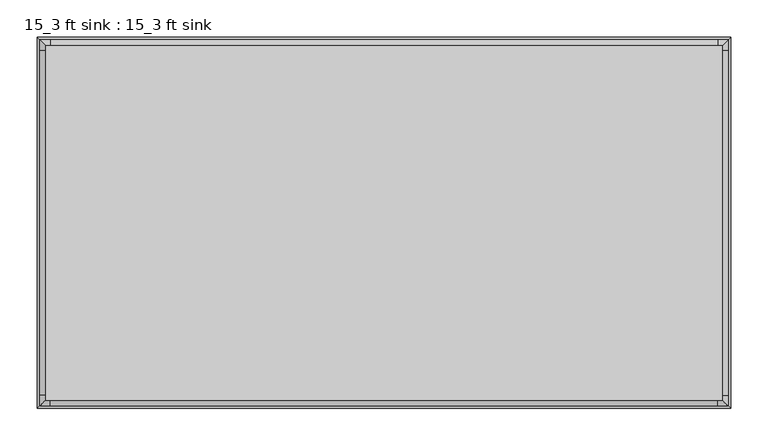
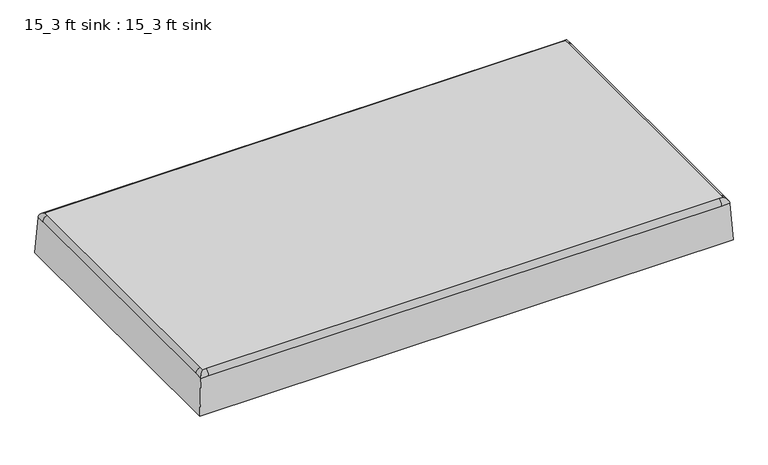
"""IFC4 building model written with IfcOpenShell, lengths in millimetres: flow terminal geometry, 15_3 ft sink : 15_3 ft sink."""

from ifc_helpers import new_model, si_unit, point, frame, origin, place, context, project, spatial, circle_curve, ellipse_curve, trimmed, source, transform, mapped, element, save
from ifc_brep_helpers import plane_surface, cylinder_surface, revolved_surface, advanced_brep


def flow_terminal_15_3_ft_sink_15_3_ft_sink_85337c65(model_context):
    return source(origin(), model_context, "Body", "AdvancedBrep", [
        advanced_brep(
        [(0.0, 0.0, -24.6151249), (-19.05, 0.0, -24.6151249), (19.05, 0.0, -24.6151249), (0.0, 0.0, -21.2560959)],
        [
            (0, 1),
            (1, 2, circle_curve(frame((0.0, 0.0, -24.6151249), z_axis=(0.0, 0.0, -1.0), x_axis=(-1.0, 0.0, 0.0)), 19.05)),
            (2, 0),
            (2, 1, circle_curve(frame((0.0, 0.0, -24.6151249), z_axis=(0.0, 0.0, -1.0), x_axis=(-1.0, 0.0, 0.0)), 19.05)),
            (1, 3, circle_curve(frame((1.3271597, 0.0, -84.4812662), z_axis=(0.0, 1.0, 0.0), x_axis=(1.0, 0.0, 0.0)), 63.239098)),
            (3, 2, circle_curve(frame((-1.3271597, 0.0, -84.4812662), z_axis=(0.0, 1.0, 0.0), x_axis=(-1.0, 0.0, 0.0)), 63.239098)),
        ],
        [
            plane_surface(frame((0.0, 0.0, -24.6151249), z_axis=(0.0, 0.0, -1.0), x_axis=(-1.0, 0.0, 0.0))),
            revolved_surface(trimmed(ellipse_curve(frame((1.3271597, 0.0, -84.4812662), z_axis=(0.0, -1.0, 0.0), x_axis=(1.0, 0.0, 0.0)), 63.239098, 63.239098), [point((0.0, 0.0, -21.2560959))], [point((-19.05, 0.0, -24.6151249))], True, "CARTESIAN"), (0.0, 0.0, -21.2560959), (0.0, 0.0, -1.0)),
        ],
        [
            (0, [[1, 2, 3]]),
            (0, [[-3, 4, -1]]),
            (1, [[-2, 5, 6]]),
            (1, [[-4, -6, -5]]),
        ],
    ),
        advanced_brep(
        [(-453.9517953, 238.0517953, 75.7066623), (-453.9517953, 231.631684, 75.7066623), (-453.9517953, -231.6261719, 75.7066623), (-453.9517953, -238.0517953, 75.7066623), (-447.5261719, -238.0517953, 75.7066623), (447.531684, -238.0517953, 75.7066623), (453.9517953, -238.0517953, 75.7066623), (453.9517953, -231.631684, 75.7066623), (453.9517953, 231.6371962, 75.7066623), (453.9517953, 238.0517953, 75.7066623), (447.5371962, 238.0517953, 75.7066623), (-447.531684, 238.0517953, 75.7066623), (-465.1014794, 249.2014794, 0.0), (465.1014794, 249.2014794, 0.0), (465.1014794, -249.2014794, 0.0), (-465.1014794, -249.2014794, 0.0), (-461.6220512, 245.7220512, 66.3914457), (-461.6220512, 231.631684, 66.3914457), (-447.531684, 245.7220512, 66.3914457), (447.5371962, 245.7220512, 66.3914457), (461.6220512, 245.7220512, 66.3914457), (461.6220512, 231.6371962, 66.3914457), (461.6220512, -231.631684, 66.3914457), (461.6220512, -245.7220512, 66.3914457), (447.531684, -245.7220512, 66.3914457), (-447.5261719, -245.7220512, 66.3914457), (-461.6220512, -245.7220512, 66.3914457), (-461.6220512, -231.6261719, 66.3914457)],
        [
            (0, 1),
            (1, 2),
            (2, 3),
            (3, 4),
            (4, 5),
            (5, 6),
            (6, 7),
            (7, 8),
            (8, 9),
            (9, 10),
            (10, 11),
            (11, 0),
            (12, 13),
            (13, 14),
            (14, 15),
            (15, 12),
            (16, 17),
            (17, 1, circle_curve(frame((-452.1304456, 231.631684, 66.3914457), z_axis=(0.0, 1.0, 0.0), x_axis=(1.0, 0.0, 0.0)), 9.4916055)),
            (0, 16, ellipse_curve(frame((-452.1304456, 236.2304456, 66.3914457), z_axis=(-0.7071067811865454, -0.7071067811865497, 0.0), x_axis=(-0.7071067811865496, 0.7071067811865454, 0.0)), 13.4231573, 9.4916055)),
            (16, 18),
            (18, 19),
            (19, 20),
            (20, 13),
            (12, 16),
            (11, 18, circle_curve(frame((-447.531684, 236.2304456, 66.3914457), z_axis=(-1.0, 0.0, 0.0), x_axis=(0.0, -1.0, 0.0)), 9.4916055)),
            (10, 19, circle_curve(frame((447.5371962, 236.2304456, 66.3914457), z_axis=(-1.0, 0.0, 0.0), x_axis=(0.0, -1.0, 0.0)), 9.4916055)),
            (9, 20, ellipse_curve(frame((452.1304456, 236.2304456, 66.3914457), z_axis=(-0.707106781186551, 0.7071067811865439, 0.0), x_axis=(0.7071067811865441, 0.7071067811865509, 0.0)), 13.4231573, 9.4916055)),
            (20, 21),
            (21, 22),
            (22, 23),
            (23, 14),
            (8, 21, circle_curve(frame((452.1304456, 231.6371962, 66.3914457), z_axis=(0.0, 1.0, 0.0), x_axis=(-1.0, 0.0, 0.0)), 9.4916055)),
            (7, 22, circle_curve(frame((452.1304456, -231.631684, 66.3914457), z_axis=(0.0, 1.0, 0.0), x_axis=(-1.0, 0.0, 0.0)), 9.4916055)),
            (6, 23, ellipse_curve(frame((452.1304456, -236.2304456, 66.3914457), z_axis=(0.7071067811865488, 0.7071067811865462, 0.0), x_axis=(0.7071067811865462, -0.7071067811865488, 0.0)), 13.4231573, 9.4916055)),
            (23, 24),
            (24, 25),
            (25, 26),
            (26, 15),
            (5, 24, circle_curve(frame((447.531684, -236.2304456, 66.3914457), z_axis=(1.0, 0.0, 0.0), x_axis=(0.0, 1.0, 0.0)), 9.4916055)),
            (4, 25, circle_curve(frame((-447.5261719, -236.2304456, 66.3914457), z_axis=(1.0, 0.0, 0.0), x_axis=(0.0, 1.0, 0.0)), 9.4916055)),
            (3, 26, ellipse_curve(frame((-452.1304456, -236.2304456, 66.3914457), z_axis=(0.7071067811865516, -0.7071067811865434, 0.0), x_axis=(-0.7071067811865435, -0.7071067811865515, 0.0)), 13.4231573, 9.4916055)),
            (26, 27),
            (27, 17),
            (2, 27, circle_curve(frame((-452.1304456, -231.6261719, 66.3914457), z_axis=(0.0, -1.0, 0.0), x_axis=(1.0, 0.0, 0.0)), 9.4916055)),
        ],
        [
            plane_surface(frame((-552.45, 274.206744, 75.7066623), z_axis=(0.0, 0.0, 1.0), x_axis=(0.0, -1.0, 0.0))),
            plane_surface(frame((-552.45, 274.206744, 0.0), z_axis=(0.0, 0.0, -1.0), x_axis=(0.0, 1.0, 0.0))),
            cylinder_surface(frame((-452.1304456, 231.631684, 66.3914457), z_axis=(0.0, 1.0, 0.0), x_axis=(1.0, 0.0, 0.0)), 9.4916055),
            plane_surface(frame((-465.1014794, 249.2014794, 0.0), z_axis=(0.0, 0.998629534754574, 0.052335956242942315), x_axis=(1.0, 0.0, 0.0))),
            cylinder_surface(frame((-464.9886719, 236.2304456, 66.3914457), z_axis=(1.0, 0.0, 0.0), x_axis=(0.0, -1.0, 0.0)), 9.4916055),
            cylinder_surface(frame((-447.531684, 236.2304456, 66.3914457), z_axis=(1.0, 0.0, 0.0), x_axis=(0.0, -1.0, 0.0)), 9.4916055),
            cylinder_surface(frame((447.5371962, 236.2304456, 66.3914457), z_axis=(1.0, 0.0, 0.0), x_axis=(0.0, -1.0, 0.0)), 9.4916055),
            plane_surface(frame((465.1014794, 249.2014794, 0.0), z_axis=(0.998629534754574, 0.0, 0.05233595624294231), x_axis=(0.0, -1.0, 0.0))),
            cylinder_surface(frame((452.1304456, 249.0886719, 66.3914457), z_axis=(0.0, -1.0, 0.0), x_axis=(-1.0, 0.0, 0.0)), 9.4916055),
            cylinder_surface(frame((452.1304456, 231.6371962, 66.3914457), z_axis=(0.0, -1.0, 0.0), x_axis=(-1.0, 0.0, 0.0)), 9.4916055),
            cylinder_surface(frame((452.1304456, -231.631684, 66.3914457), z_axis=(0.0, -1.0, 0.0), x_axis=(-1.0, 0.0, 0.0)), 9.4916055),
            plane_surface(frame((465.1014794, -249.2014794, 0.0), z_axis=(0.0, -0.998629534754574, 0.05233595624294231), x_axis=(-1.0, 0.0, 0.0))),
            cylinder_surface(frame((464.9886719, -236.2304456, 66.3914457), z_axis=(-1.0, 0.0, 0.0), x_axis=(0.0, 1.0, 0.0)), 9.4916055),
            cylinder_surface(frame((447.531684, -236.2304456, 66.3914457), z_axis=(-1.0, 0.0, 0.0), x_axis=(0.0, 1.0, 0.0)), 9.4916055),
            cylinder_surface(frame((-447.5261719, -236.2304456, 66.3914457), z_axis=(-1.0, 0.0, 0.0), x_axis=(0.0, 1.0, 0.0)), 9.4916055),
            plane_surface(frame((-465.1014794, -249.2014794, 0.0), z_axis=(-0.998629534754574, 0.0, 0.05233595624294231), x_axis=(0.0, 1.0, 0.0))),
            cylinder_surface(frame((-452.1304456, -249.0886719, 66.3914457), z_axis=(0.0, 1.0, 0.0), x_axis=(1.0, 0.0, 0.0)), 9.4916055),
            cylinder_surface(frame((-452.1304456, -231.6261719, 66.3914457), z_axis=(0.0, 1.0, 0.0), x_axis=(1.0, 0.0, 0.0)), 9.4916055),
        ],
        [
            (0, [[1, 2, 3, 4, 5, 6, 7, 8, 9, 10, 11, 12]]),
            (1, [[13, 14, 15, 16]]),
            (2, [[17, 18, -1, 19]]),
            (3, [[20, 21, 22, 23, -13, 24]]),
            (4, [[-20, -19, -12, 25]]),
            (5, [[-21, -25, -11, 26]]),
            (6, [[-22, -26, -10, 27]]),
            (7, [[-23, 28, 29, 30, 31, -14]]),
            (8, [[-28, -27, -9, 32]]),
            (9, [[-29, -32, -8, 33]]),
            (10, [[-30, -33, -7, 34]]),
            (11, [[-31, 35, 36, 37, 38, -15]]),
            (12, [[-35, -34, -6, 39]]),
            (13, [[-36, -39, -5, 40]]),
            (14, [[-37, -40, -4, 41]]),
            (15, [[-17, -24, -16, -38, 42, 43]]),
            (16, [[-42, -41, -3, 44]]),
            (17, [[-43, -44, -2, -18]]),
        ],
    ),
    ])


if __name__ == "__main__":
    model = new_model("IFC4")
    model_context = context("Model", 3, world=origin())
    ifc_project = project(units=[si_unit("LENGTHUNIT", "METRE", prefix="MILLI")], contexts=[model_context])
    site = spatial("IfcSite", under=ifc_project)
    building = spatial("IfcBuilding", under=site)
    placement = place(None, origin())
    flow_terminal_15_3_ft_sink_15_3_ft_sink_shape = flow_terminal_15_3_ft_sink_15_3_ft_sink_85337c65(model_context)
    element("IfcFlowTerminal", 1, ObjectType="15_3 ft sink : 15_3 ft sink", at=placement, inside=building, context=model_context, shape_type="MappedRepresentation", body=[
        mapped(flow_terminal_15_3_ft_sink_15_3_ft_sink_shape, transform((0.0, 0.0, 0.0), x_axis=(1.0, 0.0, 0.0), y_axis=(0.0, 1.0, 0.0), z_axis=(0.0, 0.0, 1.0))),
    ])
    save(model, "model.ifc")
